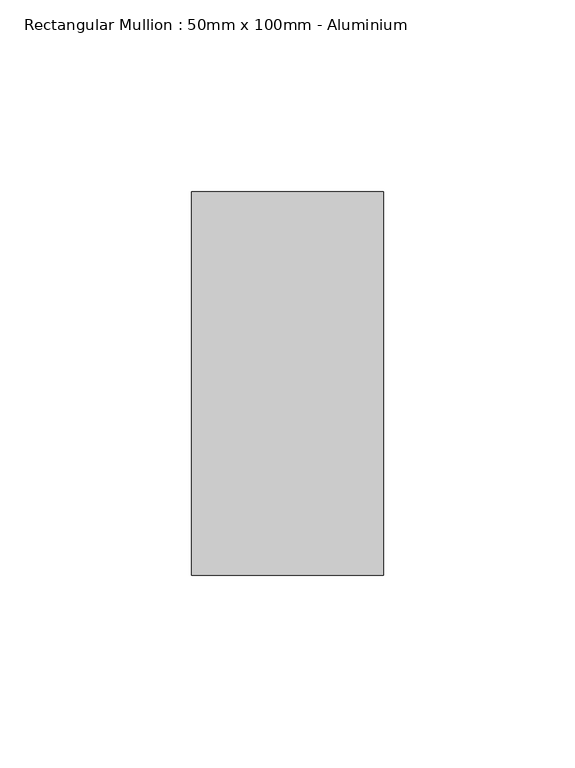
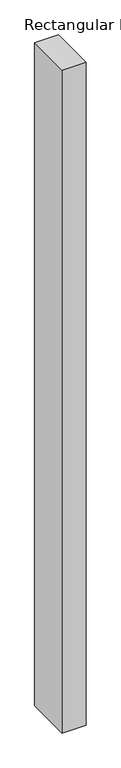
"""IFC4 building model written with IfcOpenShell, lengths in millimetres: member geometry, Rectangular Mullion : 50mm x 100mm - Aluminium."""

import ifcopenshell
import ifcopenshell.guid

model = None  # the IFC model being written
_history = None  # IfcOwnerHistory: only IFC2X3 demands one
_inside = {}  # id of a spatial element -> (the spatial element, [elements in it])
_under = {}  # id of a project, library or spatial element -> (it, [spatial elements below it])
_declared = {}  # id of a project -> (the project, [libraries it declares])
_typed = {}  # id of a type object -> (the type object, [elements of that type])
_made_of = {}  # id of a material, layer set ... -> (it, [elements and type objects made of it])


def new_model(schema):
    """Start an empty IFC model of exactly this schema.

    Asked for "IFC4X3", IfcOpenShell would pick the latest addendum, in which some entities
    have other attributes; the version numbers below select the first issue.
    IFC2X3 requires an IfcOwnerHistory on every rooted entity: one is made here for all.
    """
    global model, _history
    if schema == "IFC4X3":
        model = ifcopenshell.file(schema_version=(4, 3, 0, 0))
    else:
        model = ifcopenshell.file(schema=schema)
    _inside.clear()
    _under.clear()
    _declared.clear()
    _typed.clear()
    _made_of.clear()
    _history = None
    if model.schema == "IFC2X3":
        org = make("IfcOrganization", Name="unknown")
        user = make(
            "IfcPersonAndOrganization",
            ThePerson=make("IfcPerson", FamilyName="unknown"),
            TheOrganization=org,
        )
        app = make(
            "IfcApplication",
            ApplicationDeveloper=org,
            Version="unknown",
            ApplicationFullName="unknown",
            ApplicationIdentifier="unknown",
        )
        _history = make(
            "IfcOwnerHistory",
            OwningUser=user,
            OwningApplication=app,
            ChangeAction="ADDED",
            CreationDate=0,
        )
    return model


def make(cls, **values):
    """One entity of the class cls with the attributes given. An attribute that is None is left unset."""
    return model.create_entity(
        cls, **{name: value for name, value in values.items() if value is not None}
    )


def rooted(cls, **values):
    """An entity with a GlobalId (a new one), such as an element, a storey or a relation."""
    return make(cls, GlobalId=ifcopenshell.guid.new(), OwnerHistory=_history, **values)


def si_unit(unit_type, name, prefix=None):
    """IfcSIUnit, for example si_unit("LENGTHUNIT", "METRE", prefix="MILLI")."""
    return make("IfcSIUnit", UnitType=unit_type, Prefix=prefix, Name=name)


def assignment(units):
    """IfcUnitAssignment: the units of a project."""
    return None if units is None else make("IfcUnitAssignment", Units=units)


def point(xyz):
    """IfcCartesianPoint."""
    return None if xyz is None else make("IfcCartesianPoint", Coordinates=xyz)


def direction(xyz):
    """IfcDirection."""
    return None if xyz is None else make("IfcDirection", DirectionRatios=xyz)


def frame(location, z_axis=None, x_axis=None):
    """IfcAxis2Placement3D, a coordinate frame: its origin and axes. An axis left out is left unset."""
    return make(
        "IfcAxis2Placement3D",
        Location=point(location),
        Axis=direction(z_axis),
        RefDirection=direction(x_axis),
    )


def origin():
    """The frame at (0, 0, 0) with its axes left unset."""
    return frame((0.0, 0.0, 0.0))


def place(relative_to, where):
    """IfcLocalPlacement: puts the frame where relative to a parent placement (None: the world)."""
    return make(
        "IfcLocalPlacement", PlacementRelTo=relative_to, RelativePlacement=where
    )


def context(
    kind, dimensions, precision=None, world=None, true_north=None, identifier=None
):
    """IfcGeometricRepresentationContext, for example the 3D "Model" context."""
    return make(
        "IfcGeometricRepresentationContext",
        ContextIdentifier=identifier,
        ContextType=kind,
        CoordinateSpaceDimension=dimensions,
        Precision=precision,
        WorldCoordinateSystem=world,
        TrueNorth=true_north,
    )


def project(units=None, contexts=None):
    """IfcProject with its units and contexts."""
    return rooted(
        "IfcProject",
        Name="project",
        RepresentationContexts=contexts,
        UnitsInContext=assignment(units),
    )


def spatial(cls, under=None, at=None, **own):
    """A site, building, storey or space (cls), placed at a placement, below another one or the project."""
    s = rooted(cls, ObjectPlacement=at, **own)
    if under is not None:
        _under.setdefault(under.id(), (under, []))[1].append(s)
    return s


def polyline(points):
    """IfcPolyline through the points."""
    return make("IfcPolyline", Points=[point(p) for p in points])


def outline(outer, holes=None, kind="AREA"):
    """IfcArbitraryClosedProfileDef: a profile drawn as a closed curve; with holes, ...WithVoids."""
    if holes is None:
        return make("IfcArbitraryClosedProfileDef", ProfileType=kind, OuterCurve=outer)
    return make(
        "IfcArbitraryProfileDefWithVoids",
        ProfileType=kind,
        OuterCurve=outer,
        InnerCurves=holes,
    )


def extrude(swept, where, along, depth):
    """IfcExtrudedAreaSolid: the profile swept, set in the frame where, extruded along a direction by depth."""
    return make(
        "IfcExtrudedAreaSolid",
        SweptArea=swept,
        Position=where,
        ExtrudedDirection=direction(along),
        Depth=depth,
    )


def shape(context_of_items, identifier, shape_type, items):
    """IfcShapeRepresentation: the items that make up one representation, for example the "Body"."""
    return make(
        "IfcShapeRepresentation",
        ContextOfItems=context_of_items,
        RepresentationIdentifier=identifier,
        RepresentationType=shape_type,
        Items=items,
    )


def source(mapping_origin, context_of_items, identifier, shape_type, items):
    """IfcRepresentationMap: a shape defined once, which mapped items show again and again."""
    return make(
        "IfcRepresentationMap",
        MappingOrigin=mapping_origin,
        MappedRepresentation=shape(context_of_items, identifier, shape_type, items),
    )


def transform(
    local_origin,
    x_axis=None,
    y_axis=None,
    z_axis=None,
    scale=None,
    scale2=None,
    scale3=None,
    uniform=True,
):
    """IfcCartesianTransformationOperator3D, or its non-uniform kind. x_axis, y_axis, z_axis: its Axis1, 2, 3."""
    if uniform:
        return make(
            "IfcCartesianTransformationOperator3D",
            Axis1=direction(x_axis),
            Axis2=direction(y_axis),
            LocalOrigin=point(local_origin),
            Scale=scale,
            Axis3=direction(z_axis),
        )
    return make(
        "IfcCartesianTransformationOperator3DnonUniform",
        Axis1=direction(x_axis),
        Axis2=direction(y_axis),
        LocalOrigin=point(local_origin),
        Scale=scale,
        Axis3=direction(z_axis),
        Scale2=scale2,
        Scale3=scale3,
    )


def mapped(mapping_source, mapping_target):
    """IfcMappedItem: shows the shape of a source again, moved by a transform."""
    return make(
        "IfcMappedItem", MappingSource=mapping_source, MappingTarget=mapping_target
    )


def made_of(thing, what):
    """Note that an element or type object is made of a material, layer set ...; save() writes the relation."""
    if what is not None:
        _made_of.setdefault(what.id(), (what, []))[1].append(thing)
    return thing


def element(
    cls,
    number,
    at=None,
    inside=None,
    cuts=None,
    type_object=None,
    material=None,
    context=None,
    identifier="Body",
    shape_type=None,
    held_by="IfcProductDefinitionShape",
    body=None,
    shapes=None,
    **own,
):
    """One element of the class cls, such as IfcWall. Its Tag is "e" and its number.

    at: its placement. inside: the storey or other place that contains it. cuts: it is an
    opening in that element (IfcRelVoidsElement). A single representation is given by context,
    identifier, shape_type and body (its items); several are given by shapes. held_by: the class
    of the entity that holds the representations. save() writes the other relations.
    """
    e = rooted(cls, Tag="e%d" % number, ObjectPlacement=at, **own)
    if body is not None:
        shapes = [shape(context, identifier, shape_type, body)]
    if shapes is not None:
        e.Representation = make(held_by, Representations=shapes)
    if inside is not None:
        _inside.setdefault(inside.id(), (inside, []))[1].append(e)
    if cuts is not None:
        rooted(
            "IfcRelVoidsElement", RelatingBuildingElement=cuts, RelatedOpeningElement=e
        )
    if type_object is not None:
        _typed.setdefault(type_object.id(), (type_object, []))[1].append(e)
    return made_of(e, material)


def aggregate(whole, parts):
    """IfcRelAggregates: a whole, such as a stair, and the parts it consists of."""
    return rooted("IfcRelAggregates", RelatingObject=whole, RelatedObjects=parts)


def save(model, path):
    """Write the relations noted so far, then the file.

    IfcRelAggregates (storeys below a building ...), IfcRelContainedInSpatialStructure (elements
    in a storey), IfcRelDefinesByType, IfcRelAssociatesMaterial and IfcRelDeclares: one each for
    every whole, place, type object, material and project.
    """
    for whole, parts in _under.values():
        aggregate(whole, parts)
    for where, things in _inside.values():
        rooted(
            "IfcRelContainedInSpatialStructure",
            RelatedElements=things,
            RelatingStructure=where,
        )
    for kind, things in _typed.values():
        rooted("IfcRelDefinesByType", RelatedObjects=things, RelatingType=kind)
    for what, things in _made_of.values():
        rooted("IfcRelAssociatesMaterial", RelatedObjects=things, RelatingMaterial=what)
    for by, libraries in _declared.values():
        rooted("IfcRelDeclares", RelatingContext=by, RelatedDefinitions=libraries)
    model.write(path)


def rectangular_mullion_50mm_x_100mm_aluminium_c7768c5a(model_context):
    return source(origin(), model_context, "Body", "SweptSolid", [
        extrude(outline(polyline([(0.0, 50.0), (0.0, -50.0), (-50.0, -50.0), (-50.0, 50.0), (0.0, 50.0)])), frame((0.0, 0.0, -1475.1327884), z_axis=(0.0, 0.0, 1.0), x_axis=(1.0, 0.0, 0.0)), (0.0, 0.0, 1.0), 1475.1327884),
    ])


if __name__ == "__main__":
    model = new_model("IFC4")
    model_context = context("Model", 3, world=origin())
    ifc_project = project(units=[si_unit("LENGTHUNIT", "METRE", prefix="MILLI")], contexts=[model_context])
    site = spatial("IfcSite", under=ifc_project)
    building = spatial("IfcBuilding", under=site)
    placement = place(None, origin())
    rectangular_mullion_50mm_x_100mm_aluminium_shape = rectangular_mullion_50mm_x_100mm_aluminium_c7768c5a(model_context)
    element("IfcMember", 1, ObjectType="Rectangular Mullion : 50mm x 100mm - Aluminium", at=placement, inside=building, context=model_context, shape_type="MappedRepresentation", body=[
        mapped(rectangular_mullion_50mm_x_100mm_aluminium_shape, transform((0.0, 0.0, 0.0), x_axis=(1.0, 0.0, 0.0), y_axis=(0.0, 1.0, 0.0), z_axis=(0.0, 0.0, 1.0))),
    ])
    save(model, "model.ifc")
